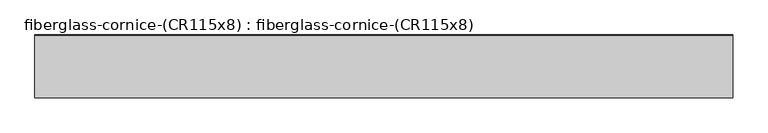
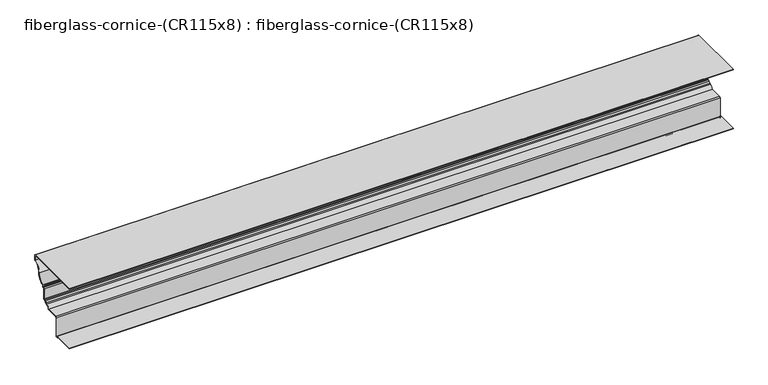
"""IFC4 building model written with IfcOpenShell, lengths in millimetres: furniture geometry, fiberglass-cornice-(CR115x8) : fiberglass-cornice-(CR115x8)."""

from ifc_helpers import new_model, si_unit, frame, origin, place, context, project, spatial, polyline, circle_curve, source, transform, mapped, element, save
from ifc_brep_helpers import plane_surface, cylinder_surface, revolved_surface, advanced_brep


def fiberglass_cornice_cr115x8_fiberglass_cornice_cr115x8_bdc4f156(model_context):
    return source(origin(), model_context, "Body", "AdvancedBrep", [
        advanced_brep(
        [(1689.0683982, 254.0000168, 133.3535912), (1689.0683982, 257.1750148, 136.5250039), (1689.0683982, 330.2314169, 136.5250208), (1689.0683982, 330.2314169, 38.09225), (1689.0683982, 327.0743395, 34.9351726), (1689.0683982, 254.0000168, 34.9351726), (1765.2997982, 254.0000168, 133.3535912), (1765.2997982, 254.0000168, 34.9351726), (1765.2997982, 327.0743395, 34.9351726), (1765.2997982, 330.2314169, 38.09225), (1765.2997982, 330.2314169, 136.5250208), (1765.2997982, 257.1750149, 136.5250208)],
        [
            (0, 1, circle_curve(frame((1689.0683982, 257.1750148, 133.3500039), z_axis=(-1.0, 0.0, 0.0), x_axis=(0.0, 1.0, 0.0)), 3.175)),
            (1, 2),
            (2, 3),
            (3, 4, circle_curve(frame((1689.0683982, 327.0743395, 38.09225), z_axis=(-1.0, 0.0, 0.0), x_axis=(0.0, 1.0, 0.0)), 3.1570774)),
            (4, 5),
            (5, 0),
            (6, 7),
            (7, 8),
            (8, 9, circle_curve(frame((1765.2997982, 327.0743395, 38.09225), z_axis=(1.0, 0.0, 0.0), x_axis=(0.0, 1.0, 0.0)), 3.1570774)),
            (9, 10),
            (10, 11),
            (11, 6, circle_curve(frame((1765.2997982, 257.1750148, 133.3500039), z_axis=(1.0, 0.0, 0.0), x_axis=(0.0, 1.0, 0.0)), 3.175)),
            (0, 6),
            (11, 1),
            (10, 2),
            (9, 3),
            (8, 4),
            (7, 5),
        ],
        [
            plane_surface(frame((1689.0683982, 260.3500148, 133.3500039), z_axis=(-1.0, 0.0, 0.0), x_axis=(0.0, 0.0, -1.0))),
            plane_surface(frame((1765.2997982, 260.3500148, 133.3500039), z_axis=(1.0, 0.0, 0.0), x_axis=(0.0, 0.0, 1.0))),
            cylinder_surface(frame((1765.2997982, 257.1750148, 133.3500039), z_axis=(-1.0, 0.0, 0.0), x_axis=(0.0, 1.0, 0.0)), 3.175),
            plane_surface(frame((1689.0683982, 257.1750149, 136.5250208), z_axis=(0.0, 0.0, 1.0), x_axis=(1.0, 0.0, 0.0))),
            plane_surface(frame((1689.0683982, 330.2314169, 136.5250208), z_axis=(0.0, 1.0, 0.0), x_axis=(1.0, 0.0, 0.0))),
            cylinder_surface(frame((1765.2997982, 327.0743395, 38.09225), z_axis=(-1.0, 0.0, 0.0), x_axis=(0.0, 1.0, 0.0)), 3.1570774),
            plane_surface(frame((1689.0683982, 327.0743395, 34.9351726), z_axis=(0.0, 0.0, -1.0), x_axis=(1.0, 0.0, 0.0))),
            plane_surface(frame((1689.0683982, 254.0000168, 34.9351726), z_axis=(0.0, -1.0, 0.0), x_axis=(1.0, 0.0, 0.0))),
        ],
        [
            (0, [[1, 2, 3, 4, 5, 6]]),
            (1, [[7, 8, 9, 10, 11, 12]]),
            (2, [[-1, 13, -12, 14]]),
            (3, [[-2, -14, -11, 15]]),
            (4, [[-3, -15, -10, 16]]),
            (5, [[-4, -16, -9, 17]]),
            (6, [[-5, -17, -8, 18]]),
            (7, [[-6, -18, -7, -13]]),
        ],
    ),
        advanced_brep(
        [(1790.6683982, 254.0000168, 133.3535912), (1790.6683982, 257.1750148, 136.5250039), (1790.6683982, 330.2314169, 136.5250208), (1790.6683982, 330.2314169, 38.09225), (1790.6683982, 327.0743395, 34.9351726), (1790.6683982, 254.0000168, 34.9351726), (1866.8997982, 254.0000168, 133.3535912), (1866.8997982, 254.0000168, 34.9351726), (1866.8997982, 327.0743395, 34.9351726), (1866.8997982, 330.2314169, 38.09225), (1866.8997982, 330.2314169, 136.5250208), (1866.8997982, 257.1750149, 136.5250208)],
        [
            (0, 1, circle_curve(frame((1790.6683982, 257.1750148, 133.3500039), z_axis=(-1.0, 0.0, 0.0), x_axis=(0.0, 1.0, 0.0)), 3.175)),
            (1, 2),
            (2, 3),
            (3, 4, circle_curve(frame((1790.6683982, 327.0743395, 38.09225), z_axis=(-1.0, 0.0, 0.0), x_axis=(0.0, 1.0, 0.0)), 3.1570774)),
            (4, 5),
            (5, 0),
            (6, 7),
            (7, 8),
            (8, 9, circle_curve(frame((1866.8997982, 327.0743395, 38.09225), z_axis=(1.0, 0.0, 0.0), x_axis=(0.0, 1.0, 0.0)), 3.1570774)),
            (9, 10),
            (10, 11),
            (11, 6, circle_curve(frame((1866.8997982, 257.1750148, 133.3500039), z_axis=(1.0, 0.0, 0.0), x_axis=(0.0, 1.0, 0.0)), 3.175)),
            (0, 6),
            (11, 1),
            (10, 2),
            (9, 3),
            (8, 4),
            (7, 5),
        ],
        [
            plane_surface(frame((1790.6683982, 260.3500148, 133.3500039), z_axis=(-1.0, 0.0, 0.0), x_axis=(0.0, 0.0, -1.0))),
            plane_surface(frame((1866.8997982, 260.3500148, 133.3500039), z_axis=(1.0, 0.0, 0.0), x_axis=(0.0, 0.0, 1.0))),
            cylinder_surface(frame((1866.8997982, 257.1750148, 133.3500039), z_axis=(-1.0, 0.0, 0.0), x_axis=(0.0, 1.0, 0.0)), 3.175),
            plane_surface(frame((1790.6683982, 257.1750149, 136.5250208), z_axis=(0.0, 0.0, 1.0), x_axis=(1.0, 0.0, 0.0))),
            plane_surface(frame((1790.6683982, 330.2314169, 136.5250208), z_axis=(0.0, 1.0, 0.0), x_axis=(1.0, 0.0, 0.0))),
            cylinder_surface(frame((1866.8997982, 327.0743395, 38.09225), z_axis=(-1.0, 0.0, 0.0), x_axis=(0.0, 1.0, 0.0)), 3.1570774),
            plane_surface(frame((1790.6683982, 327.0743395, 34.9351726), z_axis=(0.0, 0.0, -1.0), x_axis=(1.0, 0.0, 0.0))),
            plane_surface(frame((1790.6683982, 254.0000168, 34.9351726), z_axis=(0.0, -1.0, 0.0), x_axis=(1.0, 0.0, 0.0))),
        ],
        [
            (0, [[1, 2, 3, 4, 5, 6]]),
            (1, [[7, 8, 9, 10, 11, 12]]),
            (2, [[-1, 13, -12, 14]]),
            (3, [[-2, -14, -11, 15]]),
            (4, [[-3, -15, -10, 16]]),
            (5, [[-4, -16, -9, 17]]),
            (6, [[-5, -17, -8, 18]]),
            (7, [[-6, -18, -7, -13]]),
        ],
    ),
        advanced_brep(
        [(1892.2683982, 254.0000168, 133.3535912), (1892.2683982, 257.1750148, 136.5250039), (1892.2683982, 330.2314169, 136.5250208), (1892.2683982, 330.2314169, 38.09225), (1892.2683982, 327.0743395, 34.9351726), (1892.2683982, 254.0000168, 34.9351726), (1968.4997982, 254.0000168, 133.3535912), (1968.4997982, 254.0000168, 34.9351726), (1968.4997982, 327.0743395, 34.9351726), (1968.4997982, 330.2314169, 38.09225), (1968.4997982, 330.2314169, 136.5250208), (1968.4997982, 257.1750149, 136.5250208)],
        [
            (0, 1, circle_curve(frame((1892.2683982, 257.1750148, 133.3500039), z_axis=(-1.0, 0.0, 0.0), x_axis=(0.0, 1.0, 0.0)), 3.175)),
            (1, 2),
            (2, 3),
            (3, 4, circle_curve(frame((1892.2683982, 327.0743395, 38.09225), z_axis=(-1.0, 0.0, 0.0), x_axis=(0.0, 1.0, 0.0)), 3.1570774)),
            (4, 5),
            (5, 0),
            (6, 7),
            (7, 8),
            (8, 9, circle_curve(frame((1968.4997982, 327.0743395, 38.09225), z_axis=(1.0, 0.0, 0.0), x_axis=(0.0, 1.0, 0.0)), 3.1570774)),
            (9, 10),
            (10, 11),
            (11, 6, circle_curve(frame((1968.4997982, 257.1750148, 133.3500039), z_axis=(1.0, 0.0, 0.0), x_axis=(0.0, 1.0, 0.0)), 3.175)),
            (0, 6),
            (11, 1),
            (10, 2),
            (9, 3),
            (8, 4),
            (7, 5),
        ],
        [
            plane_surface(frame((1892.2683982, 260.3500148, 133.3500039), z_axis=(-1.0, 0.0, 0.0), x_axis=(0.0, 0.0, -1.0))),
            plane_surface(frame((1968.4997982, 260.3500148, 133.3500039), z_axis=(1.0, 0.0, 0.0), x_axis=(0.0, 0.0, 1.0))),
            cylinder_surface(frame((1968.4997982, 257.1750148, 133.3500039), z_axis=(-1.0, 0.0, 0.0), x_axis=(0.0, 1.0, 0.0)), 3.175),
            plane_surface(frame((1892.2683982, 257.1750149, 136.5250208), z_axis=(0.0, 0.0, 1.0), x_axis=(1.0, 0.0, 0.0))),
            plane_surface(frame((1892.2683982, 330.2314169, 136.5250208), z_axis=(0.0, 1.0, 0.0), x_axis=(1.0, 0.0, 0.0))),
            cylinder_surface(frame((1968.4997982, 327.0743395, 38.09225), z_axis=(-1.0, 0.0, 0.0), x_axis=(0.0, 1.0, 0.0)), 3.1570774),
            plane_surface(frame((1892.2683982, 327.0743395, 34.9351726), z_axis=(0.0, 0.0, -1.0), x_axis=(1.0, 0.0, 0.0))),
            plane_surface(frame((1892.2683982, 254.0000168, 34.9351726), z_axis=(0.0, -1.0, 0.0), x_axis=(1.0, 0.0, 0.0))),
        ],
        [
            (0, [[1, 2, 3, 4, 5, 6]]),
            (1, [[7, 8, 9, 10, 11, 12]]),
            (2, [[-1, 13, -12, 14]]),
            (3, [[-2, -14, -11, 15]]),
            (4, [[-3, -15, -10, 16]]),
            (5, [[-4, -16, -9, 17]]),
            (6, [[-5, -17, -8, 18]]),
            (7, [[-6, -18, -7, -13]]),
        ],
    ),
        advanced_brep(
        [(1993.8683982, 254.0000168, 133.3535912), (1993.8683982, 257.1750148, 136.5250039), (1993.8683982, 330.2314169, 136.5250208), (1993.8683982, 330.2314169, 38.09225), (1993.8683982, 327.0743395, 34.9351726), (1993.8683982, 254.0000168, 34.9351726), (2070.0997982, 254.0000168, 133.3535912), (2070.0997982, 254.0000168, 34.9351726), (2070.0997982, 327.0743395, 34.9351726), (2070.0997982, 330.2314169, 38.09225), (2070.0997982, 330.2314169, 136.5250208), (2070.0997982, 257.1750149, 136.5250208)],
        [
            (0, 1, circle_curve(frame((1993.8683982, 257.1750148, 133.3500039), z_axis=(-1.0, 0.0, 0.0), x_axis=(0.0, 1.0, 0.0)), 3.175)),
            (1, 2),
            (2, 3),
            (3, 4, circle_curve(frame((1993.8683982, 327.0743395, 38.09225), z_axis=(-1.0, 0.0, 0.0), x_axis=(0.0, 1.0, 0.0)), 3.1570774)),
            (4, 5),
            (5, 0),
            (6, 7),
            (7, 8),
            (8, 9, circle_curve(frame((2070.0997982, 327.0743395, 38.09225), z_axis=(1.0, 0.0, 0.0), x_axis=(0.0, 1.0, 0.0)), 3.1570774)),
            (9, 10),
            (10, 11),
            (11, 6, circle_curve(frame((2070.0997982, 257.1750148, 133.3500039), z_axis=(1.0, 0.0, 0.0), x_axis=(0.0, 1.0, 0.0)), 3.175)),
            (0, 6),
            (11, 1),
            (10, 2),
            (9, 3),
            (8, 4),
            (7, 5),
        ],
        [
            plane_surface(frame((1993.8683982, 260.3500148, 133.3500039), z_axis=(-1.0, 0.0, 0.0), x_axis=(0.0, 0.0, -1.0))),
            plane_surface(frame((2070.0997982, 260.3500148, 133.3500039), z_axis=(1.0, 0.0, 0.0), x_axis=(0.0, 0.0, 1.0))),
            cylinder_surface(frame((2070.0997982, 257.1750148, 133.3500039), z_axis=(-1.0, 0.0, 0.0), x_axis=(0.0, 1.0, 0.0)), 3.175),
            plane_surface(frame((1993.8683982, 257.1750149, 136.5250208), z_axis=(0.0, 0.0, 1.0), x_axis=(1.0, 0.0, 0.0))),
            plane_surface(frame((1993.8683982, 330.2314169, 136.5250208), z_axis=(0.0, 1.0, 0.0), x_axis=(1.0, 0.0, 0.0))),
            cylinder_surface(frame((2070.0997982, 327.0743395, 38.09225), z_axis=(-1.0, 0.0, 0.0), x_axis=(0.0, 1.0, 0.0)), 3.1570774),
            plane_surface(frame((1993.8683982, 327.0743395, 34.9351726), z_axis=(0.0, 0.0, -1.0), x_axis=(1.0, 0.0, 0.0))),
            plane_surface(frame((1993.8683982, 254.0000168, 34.9351726), z_axis=(0.0, -1.0, 0.0), x_axis=(1.0, 0.0, 0.0))),
        ],
        [
            (0, [[1, 2, 3, 4, 5, 6]]),
            (1, [[7, 8, 9, 10, 11, 12]]),
            (2, [[-1, 13, -12, 14]]),
            (3, [[-2, -14, -11, 15]]),
            (4, [[-3, -15, -10, 16]]),
            (5, [[-4, -16, -9, 17]]),
            (6, [[-5, -17, -8, 18]]),
            (7, [[-6, -18, -7, -13]]),
        ],
    ),
        advanced_brep(
        [(2095.4683982, 254.0000168, 133.3535912), (2095.4683982, 257.1750148, 136.5250039), (2095.4683982, 330.2314169, 136.5250208), (2095.4683982, 330.2314169, 38.09225), (2095.4683982, 327.0743395, 34.9351726), (2095.4683982, 254.0000168, 34.9351726), (2171.6997982, 254.0000168, 133.3535912), (2171.6997982, 254.0000168, 34.9351726), (2171.6997982, 327.0743395, 34.9351726), (2171.6997982, 330.2314169, 38.09225), (2171.6997982, 330.2314169, 136.5250208), (2171.6997982, 257.1750149, 136.5250208)],
        [
            (0, 1, circle_curve(frame((2095.4683982, 257.1750148, 133.3500039), z_axis=(-1.0, 0.0, 0.0), x_axis=(0.0, 1.0, 0.0)), 3.175)),
            (1, 2),
            (2, 3),
            (3, 4, circle_curve(frame((2095.4683982, 327.0743395, 38.09225), z_axis=(-1.0, 0.0, 0.0), x_axis=(0.0, 1.0, 0.0)), 3.1570774)),
            (4, 5),
            (5, 0),
            (6, 7),
            (7, 8),
            (8, 9, circle_curve(frame((2171.6997982, 327.0743395, 38.09225), z_axis=(1.0, 0.0, 0.0), x_axis=(0.0, 1.0, 0.0)), 3.1570774)),
            (9, 10),
            (10, 11),
            (11, 6, circle_curve(frame((2171.6997982, 257.1750148, 133.3500039), z_axis=(1.0, 0.0, 0.0), x_axis=(0.0, 1.0, 0.0)), 3.175)),
            (0, 6),
            (11, 1),
            (10, 2),
            (9, 3),
            (8, 4),
            (7, 5),
        ],
        [
            plane_surface(frame((2095.4683982, 260.3500148, 133.3500039), z_axis=(-1.0, 0.0, 0.0), x_axis=(0.0, 0.0, -1.0))),
            plane_surface(frame((2171.6997982, 260.3500148, 133.3500039), z_axis=(1.0, 0.0, 0.0), x_axis=(0.0, 0.0, 1.0))),
            cylinder_surface(frame((2171.6997982, 257.1750148, 133.3500039), z_axis=(-1.0, 0.0, 0.0), x_axis=(0.0, 1.0, 0.0)), 3.175),
            plane_surface(frame((2095.4683982, 257.1750149, 136.5250208), z_axis=(0.0, 0.0, 1.0), x_axis=(1.0, 0.0, 0.0))),
            plane_surface(frame((2095.4683982, 330.2314169, 136.5250208), z_axis=(0.0, 1.0, 0.0), x_axis=(1.0, 0.0, 0.0))),
            cylinder_surface(frame((2171.6997982, 327.0743395, 38.09225), z_axis=(-1.0, 0.0, 0.0), x_axis=(0.0, 1.0, 0.0)), 3.1570774),
            plane_surface(frame((2095.4683982, 327.0743395, 34.9351726), z_axis=(0.0, 0.0, -1.0), x_axis=(1.0, 0.0, 0.0))),
            plane_surface(frame((2095.4683982, 254.0000168, 34.9351726), z_axis=(0.0, -1.0, 0.0), x_axis=(1.0, 0.0, 0.0))),
        ],
        [
            (0, [[1, 2, 3, 4, 5, 6]]),
            (1, [[7, 8, 9, 10, 11, 12]]),
            (2, [[-1, 13, -12, 14]]),
            (3, [[-2, -14, -11, 15]]),
            (4, [[-3, -15, -10, 16]]),
            (5, [[-4, -16, -9, 17]]),
            (6, [[-5, -17, -8, 18]]),
            (7, [[-6, -18, -7, -13]]),
        ],
    ),
        advanced_brep(
        [(2184.3997982, 101.6, 423.8624861), (2184.3997982, 101.6, 420.6874861), (2184.3997982, 492.1250111, 420.6874861), (2184.3997982, 492.1250111, 388.058288), (2184.3997982, 447.6750123, 325.4375001), (2184.3997982, 407.480055, 268.8111805), (2184.3997982, 403.2250123, 262.8167118), (2184.3997982, 403.2250121, 255.5874971), (2184.3997982, 396.8687868, 255.5874971), (2184.3997982, 390.5250123, 249.2375001), (2184.3997982, 390.5250123, 179.3875036), (2184.3997982, 383.8030364, 179.3875036), (2184.3997982, 377.587274, 174.3362663), (2184.3997982, 367.5509638, 165.1441265), (2184.3997982, 362.1323882, 160.3493914), (2184.3997982, 339.9371192, 139.7000042), (2184.3997982, 257.1750072, 139.7000042), (2184.3997982, 250.8250168, 133.3424553), (2184.3997982, 250.8250168, 3.175), (2184.3997982, 244.4750104, 3.175), (2184.3997982, 244.4750104, 6.3451093), (2184.3997982, 238.1250123, 12.7000001), (2184.3997982, 101.6, 12.7000001), (2184.3997982, 101.6, 9.5250001), (2184.3997982, 238.1250123, 9.5250001), (2184.3997982, 241.3000104, 6.3465418), (2184.3997982, 241.3000104, 3.1750002), (2184.3997982, 244.4750123, 1e-07), (2184.3997982, 250.8250123, 0.0), (2184.3997982, 254.0000123, 3.1750001), (2184.3997982, 254.0000168, 133.3446651), (2184.3997982, 257.1750072, 136.5250001), (2184.3997982, 339.9320454, 136.5250042), (2184.3997982, 343.0839049, 139.2776723), (2184.3997982, 362.3268346, 157.1803512), (2184.3997982, 365.2162002, 159.5939258), (2184.3997982, 367.925488, 161.9912934), (2184.3997982, 380.6951554, 173.6868832), (2184.3997982, 383.8030364, 176.2125001), (2184.3997982, 390.520327, 176.2125036), (2184.3997982, 393.7000123, 179.3875001), (2184.3997982, 393.7000123, 249.2375001), (2184.3997982, 396.8706102, 252.4124971), (2184.3997982, 403.2250123, 252.4124971), (2184.3997982, 406.4000123, 255.5875001), (2184.3997982, 406.4000121, 262.8167118), (2184.3997982, 408.5275337, 265.8139461), (2184.3997982, 450.8500123, 325.4375001), (2184.3997982, 493.1724909, 385.0610541), (2184.3997982, 495.3000111, 388.0554961), (2184.3997982, 495.3000111, 420.6847078), (2184.3997982, 492.1344313, 423.8624861), (-2184.3997982, 101.6, 423.8624861), (-2184.3997982, 492.1344313, 423.8624861), (-2184.3997982, 495.3000111, 420.6847078), (-2184.3997982, 495.3000111, 388.0554961), (-2184.3997982, 493.1724909, 385.0610541), (-2184.3997982, 450.8500123, 325.4375001), (-2184.3997982, 408.5275337, 265.8139461), (-2184.3997982, 406.4000123, 262.8167118), (-2184.3997982, 406.4000121, 255.5875001), (-2184.3997982, 403.2250123, 252.4125001), (-2184.3997982, 396.8706102, 252.4124971), (-2184.3997982, 393.7000123, 249.2375001), (-2184.3997982, 393.7000123, 179.3875001), (-2184.3997982, 390.520327, 176.2125036), (-2184.3997982, 383.8030364, 176.2125036), (-2184.3997982, 380.6951554, 173.6868832), (-2184.3997982, 367.925488, 161.9912934), (-2184.3997982, 365.2162002, 159.5939258), (-2184.3997982, 362.3268346, 157.1803512), (-2184.3997982, 343.0839049, 139.2776723), (-2184.3997982, 339.9320454, 136.5250042), (-2184.3997982, 257.1750072, 136.5250042), (-2184.3997982, 254.0000168, 133.3446651), (-2184.3997982, 254.0000168, 3.1750002), (-2184.3997982, 250.8250123, 1e-07), (-2184.3997982, 244.4750123, 0.0), (-2184.3997982, 241.3000123, 3.1750001), (-2184.3997982, 241.3000104, 6.3465418), (-2184.3997982, 238.1250123, 9.5250001), (-2184.3997982, 101.6, 9.5250001), (-2184.3997982, 101.6, 12.7000001), (-2184.3997982, 238.1250123, 12.7000001), (-2184.3997982, 244.4750104, 6.3451093), (-2184.3997982, 244.4750104, 3.175), (-2184.3997982, 250.8250168, 3.175), (-2184.3997982, 250.8250168, 133.3424553), (-2184.3997982, 257.1750021, 139.7000001), (-2184.3997982, 339.9371192, 139.7000042), (-2184.3997982, 362.1323882, 160.3493914), (-2184.3997982, 367.5509638, 165.1441265), (-2184.3997982, 377.587274, 174.3362663), (-2184.3997982, 383.803036, 179.3875001), (-2184.3997982, 390.5250123, 179.3875036), (-2184.3997982, 390.5250123, 249.2375001), (-2184.3997982, 396.8687868, 255.5874971), (-2184.3997982, 403.2250121, 255.5874971), (-2184.3997982, 403.2250121, 262.8167118), (-2184.3997982, 407.480055, 268.8111805), (-2184.3997982, 447.6750123, 325.4375001), (-2184.3997982, 492.1250111, 388.058288), (-2184.3997982, 492.1250111, 420.6874861), (-2184.3997982, 101.6, 420.6874861)],
        [
            (0, 1),
            (1, 2),
            (2, 3),
            (3, 4, circle_curve(frame((2184.3997982, 514.0098337, 325.4375001), z_axis=(1.0, 0.0, 0.0), x_axis=(0.0, -1.0, 0.0)), 66.3348214)),
            (4, 5, circle_curve(frame((2184.3997982, 387.6901909, 325.4375001), z_axis=(-1.0, 0.0, 0.0), x_axis=(0.0, -1.0, 0.0)), 59.9848214)),
            (5, 6, circle_curve(frame((2184.3997982, 409.5750123, 262.8167118), z_axis=(1.0, 0.0, 0.0), x_axis=(0.0, -1.0, 0.0)), 6.35)),
            (6, 7),
            (7, 8),
            (8, 9, circle_curve(frame((2184.3997982, 396.8750123, 249.2375001), z_axis=(1.0, 0.0, 0.0), x_axis=(0.0, -1.0, 0.0)), 6.35)),
            (9, 10),
            (10, 11),
            (11, 12, circle_curve(frame((2184.3997982, 383.8030368, 173.0375001), z_axis=(1.0, 0.0, 0.0), x_axis=(0.0, -1.0, 0.0)), 6.35)),
            (12, 13, circle_curve(frame((2184.3997982, 366.1757898, 176.7206641), z_axis=(-1.0, 0.0, 0.0), x_axis=(0.0, -1.0, 0.0)), 11.6579297)),
            (13, 14, circle_curve(frame((2184.3997982, 368.3000123, 158.8384603), z_axis=(1.0, 0.0, 0.0), x_axis=(0.0, -1.0, 0.0)), 6.35)),
            (14, 15, circle_curve(frame((2184.3997982, 363.5942087, 136.5250001), z_axis=(1.0, 0.0, 0.0), x_axis=(0.0, -1.0, 0.0)), 23.8691964)),
            (15, 16),
            (16, 17, circle_curve(frame((2184.3997982, 257.1750123, 133.3500001), z_axis=(1.0, 0.0, 0.0), x_axis=(0.0, -1.0, 0.0)), 6.35)),
            (17, 18),
            (18, 19),
            (19, 20),
            (20, 21, circle_curve(frame((2184.3997982, 238.1250123, 6.3500001), z_axis=(1.0, 0.0, 0.0), x_axis=(0.0, -1.0, 0.0)), 6.35)),
            (21, 22),
            (22, 23),
            (23, 24),
            (24, 25, circle_curve(frame((2184.3997982, 238.1250123, 6.3500001), z_axis=(-1.0, 0.0, 0.0), x_axis=(0.0, -1.0, 0.0)), 3.175)),
            (25, 26),
            (26, 27, circle_curve(frame((2184.3997982, 244.4750123, 3.1750001), z_axis=(1.0, 0.0, 0.0), x_axis=(0.0, -1.0, 0.0)), 3.175)),
            (27, 28),
            (28, 29, circle_curve(frame((2184.3997982, 250.8250123, 3.1750001), z_axis=(1.0, 0.0, 0.0), x_axis=(0.0, -1.0, 0.0)), 3.175)),
            (29, 30),
            (30, 31, circle_curve(frame((2184.3997982, 257.1750123, 133.3500001), z_axis=(-1.0, 0.0, 0.0), x_axis=(0.0, -1.0, 0.0)), 3.175)),
            (31, 32),
            (32, 33, circle_curve(frame((2184.3997982, 339.9371186, 139.7000001), z_axis=(1.0, 0.0, 0.0), x_axis=(0.0, -1.0, 0.0)), 3.175)),
            (33, 34, circle_curve(frame((2184.3997982, 363.5942087, 136.5250001), z_axis=(-1.0, 0.0, 0.0), x_axis=(0.0, -1.0, 0.0)), 20.6941964)),
            (34, 35, circle_curve(frame((2184.3997982, 362.1323882, 160.3493914), z_axis=(1.0, 0.0, 0.0), x_axis=(0.0, -1.0, 0.0)), 3.175)),
            (35, 36, circle_curve(frame((2184.3997982, 368.3000123, 158.8384603), z_axis=(-1.0, 0.0, 0.0), x_axis=(0.0, -1.0, 0.0)), 3.175)),
            (36, 37, circle_curve(frame((2184.3997982, 366.1757898, 176.7206641), z_axis=(1.0, 0.0, 0.0), x_axis=(0.0, -1.0, 0.0)), 14.8329297)),
            (37, 38, circle_curve(frame((2184.3997982, 383.8030368, 173.0375001), z_axis=(-1.0, 0.0, 0.0), x_axis=(0.0, -1.0, 0.0)), 3.175)),
            (38, 39),
            (39, 40, circle_curve(frame((2184.3997982, 390.5250123, 179.3875001), z_axis=(1.0, 0.0, 0.0), x_axis=(0.0, -1.0, 0.0)), 3.175)),
            (40, 41),
            (41, 42, circle_curve(frame((2184.3997982, 396.8750123, 249.2375001), z_axis=(-1.0, 0.0, 0.0), x_axis=(0.0, -1.0, 0.0)), 3.175)),
            (42, 43),
            (43, 44, circle_curve(frame((2184.3997982, 403.2250123, 255.5875001), z_axis=(1.0, 0.0, 0.0), x_axis=(0.0, -1.0, 0.0)), 3.175)),
            (44, 45),
            (45, 46, circle_curve(frame((2184.3997982, 409.5750123, 262.8167118), z_axis=(-1.0, 0.0, 0.0), x_axis=(0.0, -1.0, 0.0)), 3.175)),
            (46, 47, circle_curve(frame((2184.3997982, 387.6901909, 325.4375001), z_axis=(1.0, 0.0, 0.0), x_axis=(0.0, -1.0, 0.0)), 63.1598214)),
            (47, 48, circle_curve(frame((2184.3997982, 514.0098337, 325.4375001), z_axis=(-1.0, 0.0, 0.0), x_axis=(0.0, -1.0, 0.0)), 63.1598214)),
            (48, 49, circle_curve(frame((2184.3997982, 492.1250123, 388.0582884), z_axis=(1.0, 0.0, 0.0), x_axis=(0.0, -1.0, 0.0)), 3.175)),
            (49, 50),
            (50, 51, circle_curve(frame((2184.3997982, 492.1250123, 420.6875001), z_axis=(1.0, 0.0, 0.0), x_axis=(0.0, -1.0, 0.0)), 3.175)),
            (51, 0),
            (52, 53),
            (53, 54, circle_curve(frame((-2184.3997982, 492.1250123, 420.6875001), z_axis=(-1.0, 0.0, 0.0), x_axis=(0.0, -1.0, 0.0)), 3.175)),
            (54, 55),
            (55, 56, circle_curve(frame((-2184.3997982, 492.1250123, 388.0582884), z_axis=(-1.0, 0.0, 0.0), x_axis=(0.0, -1.0, 0.0)), 3.175)),
            (56, 57, circle_curve(frame((-2184.3997982, 514.0098337, 325.4375001), z_axis=(1.0, 0.0, 0.0), x_axis=(0.0, -1.0, 0.0)), 63.1598214)),
            (57, 58, circle_curve(frame((-2184.3997982, 387.6901909, 325.4375001), z_axis=(-1.0, 0.0, 0.0), x_axis=(0.0, -1.0, 0.0)), 63.1598214)),
            (58, 59, circle_curve(frame((-2184.3997982, 409.5750123, 262.8167118), z_axis=(1.0, 0.0, 0.0), x_axis=(0.0, -1.0, 0.0)), 3.175)),
            (59, 60),
            (60, 61, circle_curve(frame((-2184.3997982, 403.2250123, 255.5875001), z_axis=(-1.0, 0.0, 0.0), x_axis=(0.0, -1.0, 0.0)), 3.175)),
            (61, 62),
            (62, 63, circle_curve(frame((-2184.3997982, 396.8750123, 249.2375001), z_axis=(1.0, 0.0, 0.0), x_axis=(0.0, -1.0, 0.0)), 3.175)),
            (63, 64),
            (64, 65, circle_curve(frame((-2184.3997982, 390.5250123, 179.3875001), z_axis=(-1.0, 0.0, 0.0), x_axis=(0.0, -1.0, 0.0)), 3.175)),
            (65, 66),
            (66, 67, circle_curve(frame((-2184.3997982, 383.8030368, 173.0375001), z_axis=(1.0, 0.0, 0.0), x_axis=(0.0, -1.0, 0.0)), 3.175)),
            (67, 68, circle_curve(frame((-2184.3997982, 366.1757898, 176.7206641), z_axis=(-1.0, 0.0, 0.0), x_axis=(0.0, -1.0, 0.0)), 14.8329297)),
            (68, 69, circle_curve(frame((-2184.3997982, 368.3000123, 158.8384603), z_axis=(1.0, 0.0, 0.0), x_axis=(0.0, -1.0, 0.0)), 3.175)),
            (69, 70, circle_curve(frame((-2184.3997982, 362.1323882, 160.3493914), z_axis=(-1.0, 0.0, 0.0), x_axis=(0.0, -1.0, 0.0)), 3.175)),
            (70, 71, circle_curve(frame((-2184.3997982, 363.5942087, 136.5250001), z_axis=(1.0, 0.0, 0.0), x_axis=(0.0, -1.0, 0.0)), 20.6941964)),
            (71, 72, circle_curve(frame((-2184.3997982, 339.9371186, 139.7000001), z_axis=(-1.0, 0.0, 0.0), x_axis=(0.0, -1.0, 0.0)), 3.175)),
            (72, 73),
            (73, 74, circle_curve(frame((-2184.3997982, 257.1750123, 133.3500001), z_axis=(1.0, 0.0, 0.0), x_axis=(0.0, -1.0, 0.0)), 3.175)),
            (74, 75),
            (75, 76, circle_curve(frame((-2184.3997982, 250.8250123, 3.1750001), z_axis=(-1.0, 0.0, 0.0), x_axis=(0.0, -1.0, 0.0)), 3.175)),
            (76, 77),
            (77, 78, circle_curve(frame((-2184.3997982, 244.4750123, 3.1750001), z_axis=(-1.0, 0.0, 0.0), x_axis=(0.0, -1.0, 0.0)), 3.175)),
            (78, 79),
            (79, 80, circle_curve(frame((-2184.3997982, 238.1250123, 6.3500001), z_axis=(1.0, 0.0, 0.0), x_axis=(0.0, -1.0, 0.0)), 3.175)),
            (80, 81),
            (81, 82),
            (82, 83),
            (83, 84, circle_curve(frame((-2184.3997982, 238.1250123, 6.3500001), z_axis=(-1.0, 0.0, 0.0), x_axis=(0.0, -1.0, 0.0)), 6.35)),
            (84, 85),
            (85, 86),
            (86, 87),
            (87, 88, circle_curve(frame((-2184.3997982, 257.1750123, 133.3500001), z_axis=(-1.0, 0.0, 0.0), x_axis=(0.0, -1.0, 0.0)), 6.35)),
            (88, 89),
            (89, 90, circle_curve(frame((-2184.3997982, 363.5942087, 136.5250001), z_axis=(-1.0, 0.0, 0.0), x_axis=(0.0, -1.0, 0.0)), 23.8691964)),
            (90, 91, circle_curve(frame((-2184.3997982, 368.3000123, 158.8384603), z_axis=(-1.0, 0.0, 0.0), x_axis=(0.0, -1.0, 0.0)), 6.35)),
            (91, 92, circle_curve(frame((-2184.3997982, 366.1757898, 176.7206641), z_axis=(1.0, 0.0, 0.0), x_axis=(0.0, -1.0, 0.0)), 11.6579297)),
            (92, 93, circle_curve(frame((-2184.3997982, 383.8030368, 173.0375001), z_axis=(-1.0, 0.0, 0.0), x_axis=(0.0, -1.0, 0.0)), 6.35)),
            (93, 94),
            (94, 95),
            (95, 96, circle_curve(frame((-2184.3997982, 396.8750123, 249.2375001), z_axis=(-1.0, 0.0, 0.0), x_axis=(0.0, -1.0, 0.0)), 6.35)),
            (96, 97),
            (97, 98),
            (98, 99, circle_curve(frame((-2184.3997982, 409.5750123, 262.8167118), z_axis=(-1.0, 0.0, 0.0), x_axis=(0.0, -1.0, 0.0)), 6.35)),
            (99, 100, circle_curve(frame((-2184.3997982, 387.6901909, 325.4375001), z_axis=(1.0, 0.0, 0.0), x_axis=(0.0, -1.0, 0.0)), 59.9848214)),
            (100, 101, circle_curve(frame((-2184.3997982, 514.0098337, 325.4375001), z_axis=(-1.0, 0.0, 0.0), x_axis=(0.0, -1.0, 0.0)), 66.3348214)),
            (101, 102),
            (102, 103),
            (103, 52),
            (0, 52),
            (103, 1),
            (102, 2),
            (101, 3),
            (100, 4),
            (99, 5),
            (98, 6),
            (97, 7),
            (96, 8),
            (95, 9),
            (94, 10),
            (93, 11),
            (92, 12),
            (91, 13),
            (90, 14),
            (89, 15),
            (88, 16),
            (87, 17),
            (86, 18),
            (85, 19),
            (84, 20),
            (83, 21),
            (82, 22),
            (81, 23),
            (80, 24),
            (79, 25),
            (78, 26),
            (77, 27),
            (76, 28),
            (75, 29),
            (74, 30),
            (73, 31),
            (72, 32),
            (71, 33),
            (70, 34),
            (69, 35),
            (68, 36),
            (67, 37),
            (66, 38),
            (65, 39),
            (64, 40),
            (63, 41),
            (62, 42),
            (61, 43),
            (60, 44),
            (59, 45),
            (58, 46),
            (57, 47),
            (56, 48),
            (55, 49),
            (54, 50),
            (53, 51),
        ],
        [
            plane_surface(frame((2184.3997982, 101.6, 423.8624861), z_axis=(1.0, 0.0, 0.0), x_axis=(0.0, 0.0, 1.0))),
            plane_surface(frame((-2184.3997982, 101.6, 423.8624861), z_axis=(-1.0, 0.0, 0.0), x_axis=(0.0, 0.0, 1.0))),
            plane_surface(frame((2184.3997982, 101.6, 423.8624861), z_axis=(0.0, -1.0, 0.0), x_axis=(-1.0, 0.0, 0.0))),
            plane_surface(frame((2184.3997982, 101.6, 420.6874861), z_axis=(0.0, 0.0, -1.0), x_axis=(-1.0, 0.0, 0.0))),
            plane_surface(frame((2184.3997982, 492.1250111, 420.6874861), z_axis=(0.0, -1.0, 0.0), x_axis=(-1.0, 0.0, 0.0))),
            cylinder_surface(frame((2184.3997982, 514.0098337, 325.4375001), z_axis=(1.0, 0.0, 0.0), x_axis=(0.0, -1.0, 0.0)), 66.3348214),
            revolved_surface(polyline([(-2184.3997982, 327.7053695, 325.4375001), (2184.3997982, 327.7053695, 325.4375001)]), (2184.3997982, 387.6901909, 325.4375001), (-1.0, 0.0, 0.0)),
            cylinder_surface(frame((2184.3997982, 409.5750123, 262.8167118), z_axis=(1.0, 0.0, 0.0), x_axis=(0.0, -1.0, 0.0)), 6.35),
            plane_surface(frame((2184.3997982, 403.2250121, 262.8167118), z_axis=(0.0, -1.0, 0.0), x_axis=(-1.0, 0.0, 0.0))),
            plane_surface(frame((2184.3997982, 403.2250121, 255.5874971), z_axis=(0.0, 0.0, 1.0), x_axis=(-1.0, 0.0, 0.0))),
            cylinder_surface(frame((2184.3997982, 396.8750123, 249.2375001), z_axis=(1.0, 0.0, 0.0), x_axis=(0.0, -1.0, 0.0)), 6.35),
            plane_surface(frame((2184.3997982, 390.5250123, 249.2375001), z_axis=(0.0, -1.0, 0.0), x_axis=(-1.0, 0.0, 0.0))),
            plane_surface(frame((2184.3997982, 390.5250123, 179.3875036), z_axis=(0.0, 0.0, 1.0), x_axis=(-1.0, 0.0, 0.0))),
            cylinder_surface(frame((2184.3997982, 383.8030368, 173.0375001), z_axis=(1.0, 0.0, 0.0), x_axis=(0.0, -1.0, 0.0)), 6.35),
            revolved_surface(polyline([(-2184.3997982, 354.5178601, 176.7206641), (2184.3997982, 354.5178601, 176.7206641)]), (2184.3997982, 366.1757898, 176.7206641), (-1.0, 0.0, 0.0)),
            cylinder_surface(frame((2184.3997982, 368.3000123, 158.8384603), z_axis=(1.0, 0.0, 0.0), x_axis=(0.0, -1.0, 0.0)), 6.35),
            cylinder_surface(frame((2184.3997982, 363.5942087, 136.5250001), z_axis=(1.0, 0.0, 0.0), x_axis=(0.0, -1.0, 0.0)), 23.8691964),
            plane_surface(frame((2184.3997982, 339.9371192, 139.7000042), z_axis=(0.0, 0.0, 1.0), x_axis=(-1.0, 0.0, 0.0))),
            cylinder_surface(frame((2184.3997982, 257.1750123, 133.3500001), z_axis=(1.0, 0.0, 0.0), x_axis=(0.0, -1.0, 0.0)), 6.35),
            plane_surface(frame((2184.3997982, 250.8250168, 133.3424553), z_axis=(0.0, -1.0, 0.0), x_axis=(-1.0, 0.0, 0.0))),
            plane_surface(frame((2184.3997982, 250.8250168, 3.175), z_axis=(0.0, 0.0, 1.0), x_axis=(-1.0, 0.0, 0.0))),
            plane_surface(frame((2184.3997982, 244.4750104, 3.175), z_axis=(0.0, 1.0, 0.0), x_axis=(-1.0, 0.0, 0.0))),
            cylinder_surface(frame((2184.3997982, 238.1250123, 6.3500001), z_axis=(1.0, 0.0, 0.0), x_axis=(0.0, -1.0, 0.0)), 6.35),
            plane_surface(frame((2184.3997982, 238.1250123, 12.7000001), z_axis=(0.0, 0.0, 1.0), x_axis=(-1.0, 0.0, 0.0))),
            plane_surface(frame((2184.3997982, 101.6, 12.7000001), z_axis=(0.0, -1.0, 0.0), x_axis=(-1.0, 0.0, 0.0))),
            plane_surface(frame((2184.3997982, 101.6, 9.5250001), z_axis=(0.0, 0.0, -1.0), x_axis=(-1.0, 0.0, 0.0))),
            revolved_surface(polyline([(-2184.3997982, 234.9500123, 6.3500001), (2184.3997982, 234.9500123, 6.3500001)]), (2184.3997982, 238.1250123, 6.3500001), (-1.0, 0.0, 0.0)),
            plane_surface(frame((2184.3997982, 241.3000104, 6.3465418), z_axis=(0.0, -1.0, 0.0), x_axis=(-1.0, 0.0, 0.0))),
            cylinder_surface(frame((2184.3997982, 244.4750123, 3.1750001), z_axis=(1.0, 0.0, 0.0), x_axis=(0.0, -1.0, 0.0)), 3.175),
            plane_surface(frame((2184.3997982, 244.4750123, 0.0), z_axis=(0.0, 0.0, -1.0), x_axis=(-1.0, 0.0, 0.0))),
            cylinder_surface(frame((2184.3997982, 250.8250123, 3.1750001), z_axis=(1.0, 0.0, 0.0), x_axis=(0.0, -1.0, 0.0)), 3.175),
            plane_surface(frame((2184.3997982, 254.0000168, 3.1750002), z_axis=(0.0, 1.0, 0.0), x_axis=(-1.0, 0.0, 0.0))),
            revolved_surface(polyline([(-2184.3997982, 254.00001229999998, 133.3500001), (2184.3997982, 254.00001229999998, 133.3500001)]), (2184.3997982, 257.1750123, 133.3500001), (-1.0, 0.0, 0.0)),
            plane_surface(frame((2184.3997982, 257.1750072, 136.5250042), z_axis=(0.0, 0.0, -1.0), x_axis=(-1.0, 0.0, 0.0))),
            cylinder_surface(frame((2184.3997982, 339.9371186, 139.7000001), z_axis=(1.0, 0.0, 0.0), x_axis=(0.0, -1.0, 0.0)), 3.175),
            revolved_surface(polyline([(-2184.3997982, 342.9000123, 136.5250001), (2184.3997982, 342.9000123, 136.5250001)]), (2184.3997982, 363.5942087, 136.5250001), (-1.0, 0.0, 0.0)),
            cylinder_surface(frame((2184.3997982, 362.1323882, 160.3493914), z_axis=(1.0, 0.0, 0.0), x_axis=(0.0, -1.0, 0.0)), 3.175),
            revolved_surface(polyline([(-2184.3997982, 365.1250123, 158.8384603), (2184.3997982, 365.1250123, 158.8384603)]), (2184.3997982, 368.3000123, 158.8384603), (-1.0, 0.0, 0.0)),
            cylinder_surface(frame((2184.3997982, 366.1757898, 176.7206641), z_axis=(1.0, 0.0, 0.0), x_axis=(0.0, -1.0, 0.0)), 14.8329297),
            revolved_surface(polyline([(-2184.3997982, 380.62803679999996, 173.0375001), (2184.3997982, 380.62803679999996, 173.0375001)]), (2184.3997982, 383.8030368, 173.0375001), (-1.0, 0.0, 0.0)),
            plane_surface(frame((2184.3997982, 383.8030364, 176.2125036), z_axis=(0.0, 0.0, -1.0), x_axis=(-1.0, 0.0, 0.0))),
            cylinder_surface(frame((2184.3997982, 390.5250123, 179.3875001), z_axis=(1.0, 0.0, 0.0), x_axis=(0.0, -1.0, 0.0)), 3.175),
            plane_surface(frame((2184.3997982, 393.7000123, 179.3875001), z_axis=(0.0, 1.0, 0.0), x_axis=(-1.0, 0.0, 0.0))),
            revolved_surface(polyline([(-2184.3997982, 393.70001229999997, 249.2375001), (2184.3997982, 393.70001229999997, 249.2375001)]), (2184.3997982, 396.8750123, 249.2375001), (-1.0, 0.0, 0.0)),
            plane_surface(frame((2184.3997982, 396.8706102, 252.4124971), z_axis=(0.0, 0.0, -1.0), x_axis=(-1.0, 0.0, 0.0))),
            cylinder_surface(frame((2184.3997982, 403.2250123, 255.5875001), z_axis=(1.0, 0.0, 0.0), x_axis=(0.0, -1.0, 0.0)), 3.175),
            plane_surface(frame((2184.3997982, 406.4000121, 255.5875001), z_axis=(0.0, 1.0, 0.0), x_axis=(-1.0, 0.0, 0.0))),
            revolved_surface(polyline([(-2184.3997982, 406.4000123, 262.8167118), (2184.3997982, 406.4000123, 262.8167118)]), (2184.3997982, 409.5750123, 262.8167118), (-1.0, 0.0, 0.0)),
            cylinder_surface(frame((2184.3997982, 387.6901909, 325.4375001), z_axis=(1.0, 0.0, 0.0), x_axis=(0.0, -1.0, 0.0)), 63.1598214),
            revolved_surface(polyline([(-2184.3997982, 450.85001229999995, 325.4375001), (2184.3997982, 450.85001229999995, 325.4375001)]), (2184.3997982, 514.0098337, 325.4375001), (-1.0, 0.0, 0.0)),
            cylinder_surface(frame((2184.3997982, 492.1250123, 388.0582884), z_axis=(1.0, 0.0, 0.0), x_axis=(0.0, -1.0, 0.0)), 3.175),
            plane_surface(frame((2184.3997982, 495.3000111, 388.0554961), z_axis=(0.0, 1.0, 0.0), x_axis=(-1.0, 0.0, 0.0))),
            cylinder_surface(frame((2184.3997982, 492.1250123, 420.6875001), z_axis=(1.0, 0.0, 0.0), x_axis=(0.0, -1.0, 0.0)), 3.175),
            plane_surface(frame((2184.3997982, 492.1344313, 423.8624861), z_axis=(0.0, 0.0, 1.0), x_axis=(-1.0, 0.0, 0.0))),
        ],
        [
            (0, [[1, 2, 3, 4, 5, 6, 7, 8, 9, 10, 11, 12, 13, 14, 15, 16, 17, 18, 19, 20, 21, 22, 23, 24, 25, 26, 27, 28, 29, 30, 31, 32, 33, 34, 35, 36, 37, 38, 39, 40, 41, 42, 43, 44, 45, 46, 47, 48, 49, 50, 51, 52]]),
            (1, [[53, 54, 55, 56, 57, 58, 59, 60, 61, 62, 63, 64, 65, 66, 67, 68, 69, 70, 71, 72, 73, 74, 75, 76, 77, 78, 79, 80, 81, 82, 83, 84, 85, 86, 87, 88, 89, 90, 91, 92, 93, 94, 95, 96, 97, 98, 99, 100, 101, 102, 103, 104]]),
            (2, [[-1, 105, -104, 106]]),
            (3, [[-2, -106, -103, 107]]),
            (4, [[-3, -107, -102, 108]]),
            (5, [[-4, -108, -101, 109]]),
            (6, [[-5, -109, -100, 110]]),
            (7, [[-6, -110, -99, 111]]),
            (8, [[-7, -111, -98, 112]]),
            (9, [[-8, -112, -97, 113]]),
            (10, [[-9, -113, -96, 114]]),
            (11, [[-10, -114, -95, 115]]),
            (12, [[-11, -115, -94, 116]]),
            (13, [[-12, -116, -93, 117]]),
            (14, [[-13, -117, -92, 118]]),
            (15, [[-14, -118, -91, 119]]),
            (16, [[-15, -119, -90, 120]]),
            (17, [[-16, -120, -89, 121]]),
            (18, [[-17, -121, -88, 122]]),
            (19, [[-18, -122, -87, 123]]),
            (20, [[-19, -123, -86, 124]]),
            (21, [[-20, -124, -85, 125]]),
            (22, [[-21, -125, -84, 126]]),
            (23, [[-22, -126, -83, 127]]),
            (24, [[-23, -127, -82, 128]]),
            (25, [[-24, -128, -81, 129]]),
            (26, [[-25, -129, -80, 130]]),
            (27, [[-26, -130, -79, 131]]),
            (28, [[-27, -131, -78, 132]]),
            (29, [[-28, -132, -77, 133]]),
            (30, [[-29, -133, -76, 134]]),
            (31, [[-30, -134, -75, 135]]),
            (32, [[-31, -135, -74, 136]]),
            (33, [[-32, -136, -73, 137]]),
            (34, [[-33, -137, -72, 138]]),
            (35, [[-34, -138, -71, 139]]),
            (36, [[-35, -139, -70, 140]]),
            (37, [[-36, -140, -69, 141]]),
            (38, [[-37, -141, -68, 142]]),
            (39, [[-38, -142, -67, 143]]),
            (40, [[-39, -143, -66, 144]]),
            (41, [[-40, -144, -65, 145]]),
            (42, [[-41, -145, -64, 146]]),
            (43, [[-42, -146, -63, 147]]),
            (44, [[-43, -147, -62, 148]]),
            (45, [[-44, -148, -61, 149]]),
            (46, [[-45, -149, -60, 150]]),
            (47, [[-46, -150, -59, 151]]),
            (48, [[-47, -151, -58, 152]]),
            (49, [[-48, -152, -57, 153]]),
            (50, [[-49, -153, -56, 154]]),
            (51, [[-50, -154, -55, 155]]),
            (52, [[-51, -155, -54, 156]]),
            (53, [[-52, -156, -53, -105]]),
        ],
    ),
    ])


if __name__ == "__main__":
    model = new_model("IFC4")
    model_context = context("Model", 3, world=origin())
    ifc_project = project(units=[si_unit("LENGTHUNIT", "METRE", prefix="MILLI")], contexts=[model_context])
    site = spatial("IfcSite", under=ifc_project)
    building = spatial("IfcBuilding", under=site)
    placement = place(None, origin())
    fiberglass_cornice_cr115x8_fiberglass_cornice_cr115x8_shape = fiberglass_cornice_cr115x8_fiberglass_cornice_cr115x8_bdc4f156(model_context)
    element("IfcFurniture", 1, ObjectType="fiberglass-cornice-(CR115x8) : fiberglass-cornice-(CR115x8)", at=placement, inside=building, context=model_context, shape_type="MappedRepresentation", body=[
        mapped(fiberglass_cornice_cr115x8_fiberglass_cornice_cr115x8_shape, transform((0.0, 0.0, 0.0), x_axis=(1.0, 0.0, 0.0), y_axis=(0.0, 1.0, 0.0), z_axis=(0.0, 0.0, 1.0))),
    ])
    save(model, "model.ifc")
